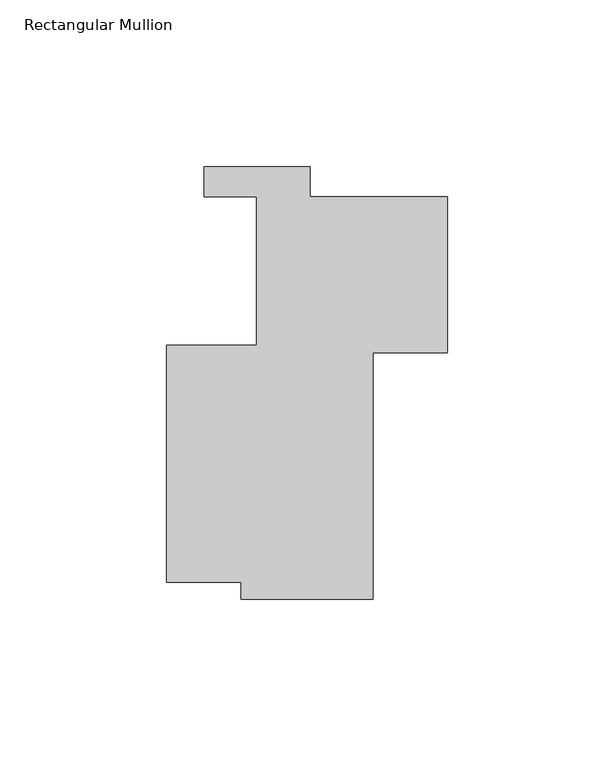
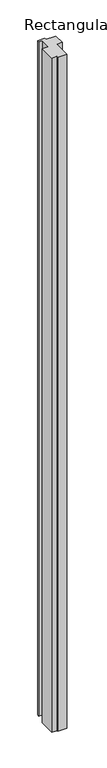
"""IFC4 building model written with IfcOpenShell, lengths in millimetres: member geometry, Rectangular Mullion."""

from ifc_helpers import new_model, si_unit, frame, origin, place, context, project, spatial, polyline, outline, extrude, source, transform, mapped, element, save


def rectangular_mullion_7847f26d(model_context):
    return source(origin(), model_context, "Body", "SweptSolid", [
        extrude(outline(polyline([(-61.9125, -68.8339999), (-84.1375, -68.8339999), (-84.1375, 2.286), (-57.1500005, 2.286), (-57.1500005, 46.7359999), (-72.9836685, 46.7359999), (-72.9836685, 55.7022001), (-41.2336685, 55.7022001), (-41.2336685, 46.736), (0.0, 46.736), (0.0, 0.0), (-22.225, 0.0), (-22.225, -73.9179664), (-61.9125, -73.9179664), (-61.9125, -68.8339999)])), frame((0.0, 0.0, -3048.0), z_axis=(0.0, 0.0, 1.0), x_axis=(1.0, 0.0, 0.0)), (0.0, 0.0, 1.0), 3048.0),
    ])


if __name__ == "__main__":
    model = new_model("IFC4")
    model_context = context("Model", 3, world=origin())
    ifc_project = project(units=[si_unit("LENGTHUNIT", "METRE", prefix="MILLI")], contexts=[model_context])
    site = spatial("IfcSite", under=ifc_project)
    building = spatial("IfcBuilding", under=site)
    placement = place(None, origin())
    rectangular_mullion_shape = rectangular_mullion_7847f26d(model_context)
    element("IfcMember", 1, ObjectType="Rectangular Mullion", at=placement, inside=building, context=model_context, shape_type="MappedRepresentation", body=[
        mapped(rectangular_mullion_shape, transform((0.0, 0.0, 0.0), x_axis=(1.0, 0.0, 0.0), y_axis=(0.0, 1.0, 0.0), z_axis=(0.0, 0.0, 1.0))),
    ])
    save(model, "model.ifc")
